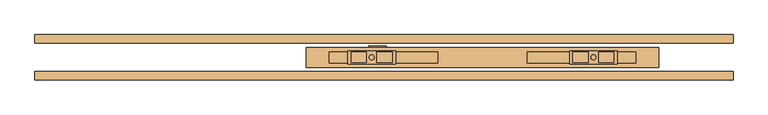
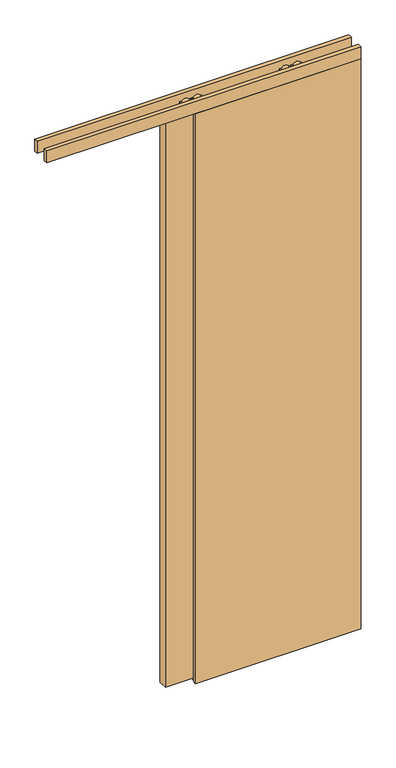
"""IFC4 building model written with IfcOpenShell, lengths in millimetres: door geometry."""

from ifc_helpers import new_model, si_unit, frame, origin, origin_with_axes, place, context, project, spatial, polyline, circle_curve, outline, extrude, source, transform, mapped, element, save
from ifc_brep_helpers import plane_surface, cylinder_surface, advanced_brep


def door_e33101f1(model_context):
    return source(origin(), model_context, "Body", "SolidModel", [
        advanced_brep(
        [(10.9982104, 5.75, 2687.5), (10.9982104, -20.25, 2687.5), (105.9982104, -20.25, 2687.5), (105.9982104, 5.75, 2687.5), (68.9258784, -17.9531798, 2687.5), (68.9258784, 3.4531798, 2687.5), (99.2151504, 3.4531798, 2687.5), (99.2151504, -17.9531798, 2687.5), (17.7812703, -17.9531798, 2687.5), (17.7812703, 3.4531798, 2687.5), (48.0705424, 3.4531798, 2687.5), (48.0705424, -17.9531798, 2687.5), (53.5482104, -7.25, 2687.5), (63.4482104, -7.25, 2687.5), (10.9982104, 5.75, 2672.5), (105.9982104, 5.75, 2672.5), (105.9982104, -20.25, 2672.5), (10.9982104, -20.25, 2672.5), (99.2151504, -17.9531798, 2672.5), (99.2151504, 3.4531798, 2672.5), (68.9258784, 3.4531798, 2672.5), (68.9258784, -17.9531798, 2672.5), (48.0705424, -17.9531798, 2672.5), (48.0705424, 3.4531798, 2672.5), (17.7812703, 3.4531798, 2672.5), (17.7812703, -17.9531798, 2672.5), (63.4482104, -7.25, 2672.5), (53.5482104, -7.25, 2672.5), (63.4482104, -7.25, 2693.0), (53.5482104, -7.25, 2693.0), (63.4482104, -7.25, 2656.0), (53.5482104, -7.25, 2656.0)],
        [
            (0, 1),
            (1, 2),
            (2, 3),
            (3, 0),
            (4, 5),
            (5, 6),
            (6, 7),
            (7, 4),
            (8, 9),
            (9, 10),
            (10, 11),
            (11, 8),
            (12, 13, circle_curve(frame((58.4982104, -7.25, 2687.5), z_axis=(0.0, 0.0, -1.0), x_axis=(-1.0, 0.0, 0.0)), 4.95)),
            (13, 12, circle_curve(frame((58.4982104, -7.25, 2687.5), z_axis=(0.0, 0.0, -1.0), x_axis=(-1.0, 0.0, 0.0)), 4.95)),
            (14, 15),
            (15, 16),
            (16, 17),
            (17, 14),
            (18, 19),
            (19, 20),
            (20, 21),
            (21, 18),
            (22, 23),
            (23, 24),
            (24, 25),
            (25, 22),
            (26, 27, circle_curve(frame((58.4982104, -7.25, 2672.5), z_axis=(0.0, 0.0, 1.0), x_axis=(-1.0, 0.0, 0.0)), 4.95)),
            (27, 26, circle_curve(frame((58.4982104, -7.25, 2672.5), z_axis=(0.0, 0.0, 1.0), x_axis=(-1.0, 0.0, 0.0)), 4.95)),
            (3, 15),
            (14, 0),
            (2, 16),
            (1, 17),
            (7, 4, circle_curve(frame((84.0705144, -17.9531798, 2680.0), z_axis=(0.0, -1.0, 0.0), x_axis=(-1.0, 0.0, 0.0)), 16.9)),
            (21, 18, circle_curve(frame((84.0705144, -17.9531798, 2680.0), z_axis=(0.0, -1.0, 0.0), x_axis=(-1.0, 0.0, 0.0)), 16.9)),
            (5, 6, circle_curve(frame((84.0705144, 3.4531798, 2680.0), z_axis=(0.0, 1.0, 0.0), x_axis=(-1.0, 0.0, 0.0)), 16.9)),
            (19, 20, circle_curve(frame((84.0705144, 3.4531798, 2680.0), z_axis=(0.0, 1.0, 0.0), x_axis=(-1.0, 0.0, 0.0)), 16.9)),
            (11, 8, circle_curve(frame((32.9259064, -17.9531798, 2680.0), z_axis=(0.0, -1.0, 0.0), x_axis=(1.0, 0.0, 0.0)), 16.9)),
            (25, 22, circle_curve(frame((32.9259064, -17.9531798, 2680.0), z_axis=(0.0, -1.0, 0.0), x_axis=(1.0, 0.0, 0.0)), 16.9)),
            (9, 10, circle_curve(frame((32.9259064, 3.4531798, 2680.0), z_axis=(0.0, 1.0, 0.0), x_axis=(1.0, 0.0, 0.0)), 16.9)),
            (23, 24, circle_curve(frame((32.9259064, 3.4531798, 2680.0), z_axis=(0.0, 1.0, 0.0), x_axis=(1.0, 0.0, 0.0)), 16.9)),
            (28, 29, circle_curve(frame((58.4982104, -7.25, 2693.0), z_axis=(0.0, 0.0, 1.0), x_axis=(-1.0, 0.0, 0.0)), 4.95)),
            (29, 28, circle_curve(frame((58.4982104, -7.25, 2693.0), z_axis=(0.0, 0.0, 1.0), x_axis=(-1.0, 0.0, 0.0)), 4.95)),
            (30, 31, circle_curve(frame((58.4982104, -7.25, 2656.0), z_axis=(0.0, 0.0, -1.0), x_axis=(-1.0, 0.0, 0.0)), 4.95)),
            (31, 30, circle_curve(frame((58.4982104, -7.25, 2656.0), z_axis=(0.0, 0.0, -1.0), x_axis=(-1.0, 0.0, 0.0)), 4.95)),
            (30, 26),
            (27, 31),
            (29, 12),
            (13, 28),
        ],
        [
            plane_surface(frame((105.9982104, 5.75, 2687.5), z_axis=(0.0, 0.0, 1.0), x_axis=(1.0, 0.0, 0.0))),
            plane_surface(frame((105.9982104, 5.75, 2672.5), z_axis=(0.0, 0.0, -1.0), x_axis=(-1.0, 0.0, 0.0))),
            plane_surface(frame((10.9982104, 5.75, 2687.5), z_axis=(0.0, 1.0, 0.0), x_axis=(0.0, 0.0, -1.0))),
            plane_surface(frame((105.9982104, 5.75, 2687.5), z_axis=(1.0, 0.0, 0.0), x_axis=(0.0, 0.0, -1.0))),
            plane_surface(frame((105.9982104, -20.25, 2687.5), z_axis=(0.0, -1.0, 0.0), x_axis=(0.0, 0.0, -1.0))),
            plane_surface(frame((10.9982104, -20.25, 2687.5), z_axis=(-1.0, 0.0, 0.0), x_axis=(0.0, 0.0, -1.0))),
            plane_surface(frame((67.1705144, -17.9531798, 2680.0), z_axis=(0.0, -1.0, 0.0), x_axis=(0.0, 0.0, 1.0))),
            plane_surface(frame((67.1705144, 3.4531798, 2680.0), z_axis=(0.0, 1.0, 0.0), x_axis=(0.0, 0.0, -1.0))),
            cylinder_surface(frame((84.0705144, 3.4531798, 2680.0), z_axis=(0.0, -1.0, 0.0), x_axis=(-1.0, 0.0, 0.0)), 16.9),
            plane_surface(frame((49.8259064, -17.9531798, 2680.0), z_axis=(0.0, -1.0, 0.0), x_axis=(0.0, 0.0, -1.0))),
            plane_surface(frame((49.8259064, 3.4531798, 2680.0), z_axis=(0.0, 1.0, 0.0), x_axis=(0.0, 0.0, 1.0))),
            cylinder_surface(frame((32.9259064, 3.4531798, 2680.0), z_axis=(0.0, -1.0, 0.0), x_axis=(1.0, 0.0, 0.0)), 16.9),
            plane_surface(frame((53.5482104, -7.25, 2693.0), z_axis=(0.0, 0.0, 1.0), x_axis=(0.0, 1.0, 0.0))),
            plane_surface(frame((53.5482104, -7.25, 2656.0), z_axis=(0.0, 0.0, -1.0), x_axis=(0.0, -1.0, 0.0))),
            cylinder_surface(frame((58.4982104, -7.25, 2656.0), z_axis=(0.0, 0.0, 1.0), x_axis=(-1.0, 0.0, 0.0)), 4.95),
        ],
        [
            (0, [[1, 2, 3, 4], [5, 6, 7, 8], [9, 10, 11, 12], [13, 14]]),
            (1, [[15, 16, 17, 18], [19, 20, 21, 22], [23, 24, 25, 26], [27, 28]]),
            (2, [[29, -15, 30, -4]]),
            (3, [[31, -16, -29, -3]]),
            (4, [[32, -17, -31, -2]]),
            (5, [[-30, -18, -32, -1]]),
            (6, [[-8, 33]]),
            (6, [[-22, 34]]),
            (7, [[-6, 35]]),
            (7, [[-20, 36]]),
            (8, [[-21, -36, -19, -34]]),
            (8, [[-7, -35, -5, -33]]),
            (9, [[-12, 37]]),
            (9, [[-26, 38]]),
            (10, [[-10, 39]]),
            (10, [[-24, 40]]),
            (11, [[-25, -40, -23, -38]]),
            (11, [[-11, -39, -9, -37]]),
            (12, [[41, 42]]),
            (13, [[43, 44]]),
            (14, [[45, -28, 46, -43]]),
            (14, [[47, -14, 48, -42]]),
            (14, [[-48, -13, -47, -41]]),
            (14, [[-46, -27, -45, -44]]),
        ],
    ),
        extrude(outline(polyline([(-25.5017896, -18.5074263), (-25.5017896, 3.4925737), (189.4982104, 3.4925737), (189.4982104, -18.5074263), (-25.5017896, -18.5074263)])), frame((0.0, 0.0, 2631.2), z_axis=(0.0, 0.0, 1.0), x_axis=(1.0, 0.0, 0.0)), (0.0, 0.0, 1.0), 24.8),
        advanced_brep(
        [(545.9982104, 5.75, 2687.5), (450.9982104, 5.75, 2687.5), (450.9982104, -20.25, 2687.5), (545.9982104, -20.25, 2687.5), (488.0705424, -17.9531798, 2687.5), (457.7812703, -17.9531798, 2687.5), (457.7812703, 3.4531798, 2687.5), (488.0705424, 3.4531798, 2687.5), (539.2151504, -17.9531798, 2687.5), (508.9258784, -17.9531798, 2687.5), (508.9258784, 3.4531798, 2687.5), (539.2151504, 3.4531798, 2687.5), (503.4482104, -7.25, 2687.5), (493.5482104, -7.25, 2687.5), (545.9982104, 5.75, 2672.5), (545.9982104, -20.25, 2672.5), (450.9982104, -20.25, 2672.5), (450.9982104, 5.75, 2672.5), (457.7812703, -17.9531798, 2672.5), (488.0705424, -17.9531798, 2672.5), (488.0705424, 3.4531798, 2672.5), (457.7812703, 3.4531798, 2672.5), (508.9258784, -17.9531798, 2672.5), (539.2151504, -17.9531798, 2672.5), (539.2151504, 3.4531798, 2672.5), (508.9258784, 3.4531798, 2672.5), (493.5482104, -7.25, 2672.5), (503.4482104, -7.25, 2672.5), (493.5482104, -7.25, 2693.0), (503.4482104, -7.25, 2693.0), (493.5482104, -7.25, 2656.0), (503.4482104, -7.25, 2656.0)],
        [
            (0, 1),
            (1, 2),
            (2, 3),
            (3, 0),
            (4, 5),
            (5, 6),
            (6, 7),
            (7, 4),
            (8, 9),
            (9, 10),
            (10, 11),
            (11, 8),
            (12, 13, circle_curve(frame((498.4982104, -7.25, 2687.5), z_axis=(0.0, 0.0, -1.0), x_axis=(1.0, 0.0, 0.0)), 4.95)),
            (13, 12, circle_curve(frame((498.4982104, -7.25, 2687.5), z_axis=(0.0, 0.0, -1.0), x_axis=(1.0, 0.0, 0.0)), 4.95)),
            (14, 15),
            (15, 16),
            (16, 17),
            (17, 14),
            (18, 19),
            (19, 20),
            (20, 21),
            (21, 18),
            (22, 23),
            (23, 24),
            (24, 25),
            (25, 22),
            (26, 27, circle_curve(frame((498.4982104, -7.25, 2672.5), z_axis=(0.0, 0.0, 1.0), x_axis=(1.0, 0.0, 0.0)), 4.95)),
            (27, 26, circle_curve(frame((498.4982104, -7.25, 2672.5), z_axis=(0.0, 0.0, 1.0), x_axis=(1.0, 0.0, 0.0)), 4.95)),
            (0, 14),
            (17, 1),
            (16, 2),
            (15, 3),
            (18, 19, circle_curve(frame((472.9259064, -17.9531798, 2680.0), z_axis=(0.0, -1.0, 0.0), x_axis=(1.0, 0.0, 0.0)), 16.9)),
            (4, 5, circle_curve(frame((472.9259064, -17.9531798, 2680.0), z_axis=(0.0, -1.0, 0.0), x_axis=(1.0, 0.0, 0.0)), 16.9)),
            (6, 7, circle_curve(frame((472.9259064, 3.4531798, 2680.0), z_axis=(0.0, 1.0, 0.0), x_axis=(1.0, 0.0, 0.0)), 16.9)),
            (20, 21, circle_curve(frame((472.9259064, 3.4531798, 2680.0), z_axis=(0.0, 1.0, 0.0), x_axis=(1.0, 0.0, 0.0)), 16.9)),
            (8, 9, circle_curve(frame((524.0705144, -17.9531798, 2680.0), z_axis=(0.0, -1.0, 0.0), x_axis=(-1.0, 0.0, 0.0)), 16.9)),
            (22, 23, circle_curve(frame((524.0705144, -17.9531798, 2680.0), z_axis=(0.0, -1.0, 0.0), x_axis=(-1.0, 0.0, 0.0)), 16.9)),
            (24, 25, circle_curve(frame((524.0705144, 3.4531798, 2680.0), z_axis=(0.0, 1.0, 0.0), x_axis=(-1.0, 0.0, 0.0)), 16.9)),
            (10, 11, circle_curve(frame((524.0705144, 3.4531798, 2680.0), z_axis=(0.0, 1.0, 0.0), x_axis=(-1.0, 0.0, 0.0)), 16.9)),
            (28, 29, circle_curve(frame((498.4982104, -7.25, 2693.0), z_axis=(0.0, 0.0, 1.0), x_axis=(1.0, 0.0, 0.0)), 4.95)),
            (29, 28, circle_curve(frame((498.4982104, -7.25, 2693.0), z_axis=(0.0, 0.0, 1.0), x_axis=(1.0, 0.0, 0.0)), 4.95)),
            (30, 31, circle_curve(frame((498.4982104, -7.25, 2656.0), z_axis=(0.0, 0.0, -1.0), x_axis=(1.0, 0.0, 0.0)), 4.95)),
            (31, 30, circle_curve(frame((498.4982104, -7.25, 2656.0), z_axis=(0.0, 0.0, -1.0), x_axis=(1.0, 0.0, 0.0)), 4.95)),
            (28, 13),
            (12, 29),
            (31, 27),
            (26, 30),
        ],
        [
            plane_surface(frame((450.9982104, 5.75, 2687.5), z_axis=(0.0, 0.0, 1.0), x_axis=(-1.0, 0.0, 0.0))),
            plane_surface(frame((450.9982104, 5.75, 2672.5), z_axis=(0.0, 0.0, -1.0), x_axis=(1.0, 0.0, 0.0))),
            plane_surface(frame((545.9982104, 5.75, 2687.5), z_axis=(0.0, 1.0, 0.0), x_axis=(0.0, 0.0, -1.0))),
            plane_surface(frame((450.9982104, 5.75, 2687.5), z_axis=(-1.0, 0.0, 0.0), x_axis=(0.0, 0.0, -1.0))),
            plane_surface(frame((450.9982104, -20.25, 2687.5), z_axis=(0.0, -1.0, 0.0), x_axis=(0.0, 0.0, -1.0))),
            plane_surface(frame((545.9982104, -20.25, 2687.5), z_axis=(1.0, 0.0, 0.0), x_axis=(0.0, 0.0, -1.0))),
            plane_surface(frame((489.8259064, -17.9531798, 2680.0), z_axis=(0.0, -1.0, 0.0), x_axis=(0.0, 0.0, 1.0))),
            plane_surface(frame((489.8259064, 3.4531798, 2680.0), z_axis=(0.0, 1.0, 0.0), x_axis=(0.0, 0.0, -1.0))),
            cylinder_surface(frame((472.9259064, 3.4531798, 2680.0), z_axis=(0.0, -1.0, 0.0), x_axis=(1.0, 0.0, 0.0)), 16.9),
            plane_surface(frame((507.1705144, -17.9531798, 2680.0), z_axis=(0.0, -1.0, 0.0), x_axis=(0.0, 0.0, -1.0))),
            plane_surface(frame((507.1705144, 3.4531798, 2680.0), z_axis=(0.0, 1.0, 0.0), x_axis=(0.0, 0.0, 1.0))),
            cylinder_surface(frame((524.0705144, 3.4531798, 2680.0), z_axis=(0.0, -1.0, 0.0), x_axis=(-1.0, 0.0, 0.0)), 16.9),
            plane_surface(frame((503.4482104, -7.25, 2693.0), z_axis=(0.0, 0.0, 1.0), x_axis=(0.0, 1.0, 0.0))),
            plane_surface(frame((503.4482104, -7.25, 2656.0), z_axis=(0.0, 0.0, -1.0), x_axis=(0.0, -1.0, 0.0))),
            cylinder_surface(frame((498.4982104, -7.25, 2656.0), z_axis=(0.0, 0.0, 1.0), x_axis=(1.0, 0.0, 0.0)), 4.95),
        ],
        [
            (0, [[1, 2, 3, 4], [5, 6, 7, 8], [9, 10, 11, 12], [13, 14]]),
            (1, [[15, 16, 17, 18], [19, 20, 21, 22], [23, 24, 25, 26], [27, 28]]),
            (2, [[-1, 29, -18, 30]]),
            (3, [[-2, -30, -17, 31]]),
            (4, [[-3, -31, -16, 32]]),
            (5, [[-4, -32, -15, -29]]),
            (6, [[33, -19]]),
            (6, [[34, -5]]),
            (7, [[35, -7]]),
            (7, [[36, -21]]),
            (8, [[-33, -22, -36, -20]]),
            (8, [[-34, -8, -35, -6]]),
            (9, [[37, -9]]),
            (9, [[38, -23]]),
            (10, [[39, -25]]),
            (10, [[40, -11]]),
            (11, [[-38, -26, -39, -24]]),
            (11, [[-37, -12, -40, -10]]),
            (12, [[41, 42]]),
            (13, [[43, 44]]),
            (14, [[-41, 45, -13, 46]]),
            (14, [[-44, 47, -27, 48]]),
            (14, [[-42, -46, -14, -45]]),
            (14, [[-43, -48, -28, -47]]),
        ],
    ),
        extrude(outline(polyline([(582.4982104, -18.5074263), (367.4982104, -18.5074263), (367.4982104, 3.4925737), (582.4982104, 3.4925737), (582.4982104, -18.5074263)])), frame((0.0, 0.0, 2631.2), z_axis=(0.0, 0.0, 1.0), x_axis=(1.0, 0.0, 0.0)), (0.0, 0.0, 1.0), 24.8),
        extrude(outline(polyline([(-71.5017896, 12.75), (628.4982104, 12.75), (628.4982104, -27.25), (-71.5017896, -27.25), (-71.5017896, 12.75)])), frame((0.0, 0.0, 10.0), z_axis=(0.0, 0.0, 1.0), x_axis=(1.0, 0.0, 0.0)), (0.0, 0.0, 1.0), 2646.0),
        extrude(outline(polyline([(15.3483682, 2.0), (15.3483682, 0.0), (-21.25, 0.0), (-21.25, 2.0), (-2.6516318, 2.0), (-2.6516318, 26.0), (1.6516318, 26.0), (1.6516318, 2.0), (15.3483682, 2.0)])), frame((52.5, 0.0, 0.0), z_axis=(1.0, 0.0, 0.0), x_axis=(0.0, 1.0, 0.0)), (0.0, 0.0, 1.0), 35.0),
        extrude(outline(polyline([(775.5, 37.75), (775.5, 20.75), (-609.5, 20.75), (-609.5, 37.75), (775.5, 37.75)])), frame((0.0, 0.0, 2655.0), z_axis=(0.0, 0.0, 1.0), x_axis=(1.0, 0.0, 0.0)), (0.0, 0.0, 1.0), 57.0),
        extrude(outline(polyline([(775.5, -35.25), (775.5, -52.25), (-609.5, -52.25), (-609.5, -35.25), (775.5, -35.25)])), frame((0.0, 0.0, 2655.0), z_axis=(0.0, 0.0, 1.0), x_axis=(1.0, 0.0, 0.0)), (0.0, 0.0, 1.0), 57.0),
        extrude(outline(polyline([(775.5, 37.75), (775.5, 20.75), (47.5, 20.75), (47.5, 37.75), (775.5, 37.75)])), origin_with_axes(), (0.0, 0.0, 1.0), 2655.0),
        extrude(outline(polyline([(775.5, -35.25), (775.5, -52.25), (47.5, -52.25), (47.5, -35.25), (775.5, -35.25)])), origin_with_axes(), (0.0, 0.0, 1.0), 2655.0),
    ])


if __name__ == "__main__":
    model = new_model("IFC4")
    model_context = context("Model", 3, world=origin())
    ifc_project = project(units=[si_unit("LENGTHUNIT", "METRE", prefix="MILLI")], contexts=[model_context])
    site = spatial("IfcSite", under=ifc_project)
    building = spatial("IfcBuilding", under=site)
    placement = place(None, origin())
    door_shape = door_e33101f1(model_context)
    element("IfcDoor", 1, at=placement, inside=building, context=model_context, shape_type="MappedRepresentation", body=[
        mapped(door_shape, transform((0.0, 0.0, 0.0), x_axis=(1.0, 0.0, 0.0), y_axis=(0.0, 1.0, 0.0), z_axis=(0.0, 0.0, 1.0))),
    ])
    save(model, "model.ifc")
